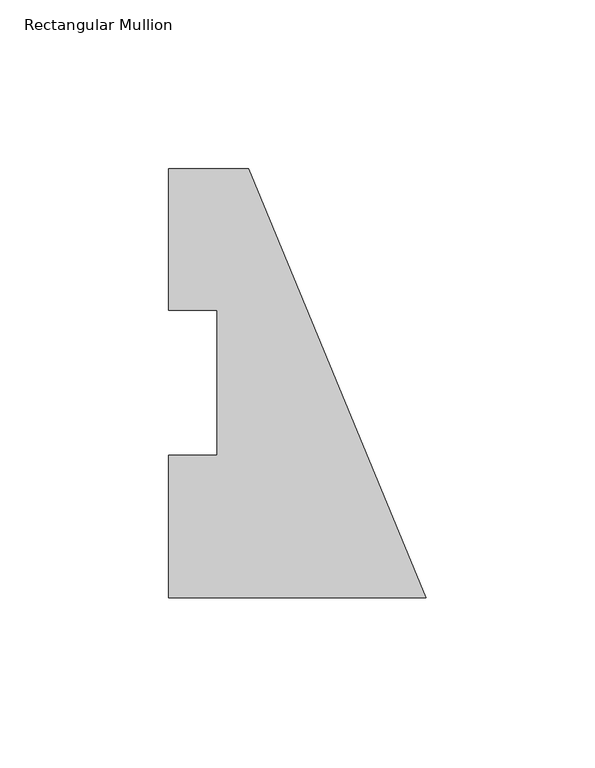
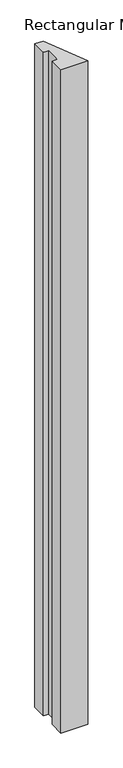
"""IFC4 building model written with IfcOpenShell, lengths in millimetres: member geometry, Rectangular Mullion."""

import ifcopenshell
import ifcopenshell.guid

model = None  # the IFC model being written
_history = None  # IfcOwnerHistory: only IFC2X3 demands one
_inside = {}  # id of a spatial element -> (the spatial element, [elements in it])
_under = {}  # id of a project, library or spatial element -> (it, [spatial elements below it])
_declared = {}  # id of a project -> (the project, [libraries it declares])
_typed = {}  # id of a type object -> (the type object, [elements of that type])
_made_of = {}  # id of a material, layer set ... -> (it, [elements and type objects made of it])


def new_model(schema):
    """Start an empty IFC model of exactly this schema.

    Asked for "IFC4X3", IfcOpenShell would pick the latest addendum, in which some entities
    have other attributes; the version numbers below select the first issue.
    IFC2X3 requires an IfcOwnerHistory on every rooted entity: one is made here for all.
    """
    global model, _history
    if schema == "IFC4X3":
        model = ifcopenshell.file(schema_version=(4, 3, 0, 0))
    else:
        model = ifcopenshell.file(schema=schema)
    _inside.clear()
    _under.clear()
    _declared.clear()
    _typed.clear()
    _made_of.clear()
    _history = None
    if model.schema == "IFC2X3":
        org = make("IfcOrganization", Name="unknown")
        user = make(
            "IfcPersonAndOrganization",
            ThePerson=make("IfcPerson", FamilyName="unknown"),
            TheOrganization=org,
        )
        app = make(
            "IfcApplication",
            ApplicationDeveloper=org,
            Version="unknown",
            ApplicationFullName="unknown",
            ApplicationIdentifier="unknown",
        )
        _history = make(
            "IfcOwnerHistory",
            OwningUser=user,
            OwningApplication=app,
            ChangeAction="ADDED",
            CreationDate=0,
        )
    return model


def make(cls, **values):
    """One entity of the class cls with the attributes given. An attribute that is None is left unset."""
    return model.create_entity(
        cls, **{name: value for name, value in values.items() if value is not None}
    )


def rooted(cls, **values):
    """An entity with a GlobalId (a new one), such as an element, a storey or a relation."""
    return make(cls, GlobalId=ifcopenshell.guid.new(), OwnerHistory=_history, **values)


def si_unit(unit_type, name, prefix=None):
    """IfcSIUnit, for example si_unit("LENGTHUNIT", "METRE", prefix="MILLI")."""
    return make("IfcSIUnit", UnitType=unit_type, Prefix=prefix, Name=name)


def assignment(units):
    """IfcUnitAssignment: the units of a project."""
    return None if units is None else make("IfcUnitAssignment", Units=units)


def point(xyz):
    """IfcCartesianPoint."""
    return None if xyz is None else make("IfcCartesianPoint", Coordinates=xyz)


def direction(xyz):
    """IfcDirection."""
    return None if xyz is None else make("IfcDirection", DirectionRatios=xyz)


def frame(location, z_axis=None, x_axis=None):
    """IfcAxis2Placement3D, a coordinate frame: its origin and axes. An axis left out is left unset."""
    return make(
        "IfcAxis2Placement3D",
        Location=point(location),
        Axis=direction(z_axis),
        RefDirection=direction(x_axis),
    )


def origin():
    """The frame at (0, 0, 0) with its axes left unset."""
    return frame((0.0, 0.0, 0.0))


def place(relative_to, where):
    """IfcLocalPlacement: puts the frame where relative to a parent placement (None: the world)."""
    return make(
        "IfcLocalPlacement", PlacementRelTo=relative_to, RelativePlacement=where
    )


def context(
    kind, dimensions, precision=None, world=None, true_north=None, identifier=None
):
    """IfcGeometricRepresentationContext, for example the 3D "Model" context."""
    return make(
        "IfcGeometricRepresentationContext",
        ContextIdentifier=identifier,
        ContextType=kind,
        CoordinateSpaceDimension=dimensions,
        Precision=precision,
        WorldCoordinateSystem=world,
        TrueNorth=true_north,
    )


def project(units=None, contexts=None):
    """IfcProject with its units and contexts."""
    return rooted(
        "IfcProject",
        Name="project",
        RepresentationContexts=contexts,
        UnitsInContext=assignment(units),
    )


def spatial(cls, under=None, at=None, **own):
    """A site, building, storey or space (cls), placed at a placement, below another one or the project."""
    s = rooted(cls, ObjectPlacement=at, **own)
    if under is not None:
        _under.setdefault(under.id(), (under, []))[1].append(s)
    return s


def polyline(points):
    """IfcPolyline through the points."""
    return make("IfcPolyline", Points=[point(p) for p in points])


def outline(outer, holes=None, kind="AREA"):
    """IfcArbitraryClosedProfileDef: a profile drawn as a closed curve; with holes, ...WithVoids."""
    if holes is None:
        return make("IfcArbitraryClosedProfileDef", ProfileType=kind, OuterCurve=outer)
    return make(
        "IfcArbitraryProfileDefWithVoids",
        ProfileType=kind,
        OuterCurve=outer,
        InnerCurves=holes,
    )


def extrude(swept, where, along, depth):
    """IfcExtrudedAreaSolid: the profile swept, set in the frame where, extruded along a direction by depth."""
    return make(
        "IfcExtrudedAreaSolid",
        SweptArea=swept,
        Position=where,
        ExtrudedDirection=direction(along),
        Depth=depth,
    )


def shape(context_of_items, identifier, shape_type, items):
    """IfcShapeRepresentation: the items that make up one representation, for example the "Body"."""
    return make(
        "IfcShapeRepresentation",
        ContextOfItems=context_of_items,
        RepresentationIdentifier=identifier,
        RepresentationType=shape_type,
        Items=items,
    )


def source(mapping_origin, context_of_items, identifier, shape_type, items):
    """IfcRepresentationMap: a shape defined once, which mapped items show again and again."""
    return make(
        "IfcRepresentationMap",
        MappingOrigin=mapping_origin,
        MappedRepresentation=shape(context_of_items, identifier, shape_type, items),
    )


def transform(
    local_origin,
    x_axis=None,
    y_axis=None,
    z_axis=None,
    scale=None,
    scale2=None,
    scale3=None,
    uniform=True,
):
    """IfcCartesianTransformationOperator3D, or its non-uniform kind. x_axis, y_axis, z_axis: its Axis1, 2, 3."""
    if uniform:
        return make(
            "IfcCartesianTransformationOperator3D",
            Axis1=direction(x_axis),
            Axis2=direction(y_axis),
            LocalOrigin=point(local_origin),
            Scale=scale,
            Axis3=direction(z_axis),
        )
    return make(
        "IfcCartesianTransformationOperator3DnonUniform",
        Axis1=direction(x_axis),
        Axis2=direction(y_axis),
        LocalOrigin=point(local_origin),
        Scale=scale,
        Axis3=direction(z_axis),
        Scale2=scale2,
        Scale3=scale3,
    )


def mapped(mapping_source, mapping_target):
    """IfcMappedItem: shows the shape of a source again, moved by a transform."""
    return make(
        "IfcMappedItem", MappingSource=mapping_source, MappingTarget=mapping_target
    )


def made_of(thing, what):
    """Note that an element or type object is made of a material, layer set ...; save() writes the relation."""
    if what is not None:
        _made_of.setdefault(what.id(), (what, []))[1].append(thing)
    return thing


def element(
    cls,
    number,
    at=None,
    inside=None,
    cuts=None,
    type_object=None,
    material=None,
    context=None,
    identifier="Body",
    shape_type=None,
    held_by="IfcProductDefinitionShape",
    body=None,
    shapes=None,
    **own,
):
    """One element of the class cls, such as IfcWall. Its Tag is "e" and its number.

    at: its placement. inside: the storey or other place that contains it. cuts: it is an
    opening in that element (IfcRelVoidsElement). A single representation is given by context,
    identifier, shape_type and body (its items); several are given by shapes. held_by: the class
    of the entity that holds the representations. save() writes the other relations.
    """
    e = rooted(cls, Tag="e%d" % number, ObjectPlacement=at, **own)
    if body is not None:
        shapes = [shape(context, identifier, shape_type, body)]
    if shapes is not None:
        e.Representation = make(held_by, Representations=shapes)
    if inside is not None:
        _inside.setdefault(inside.id(), (inside, []))[1].append(e)
    if cuts is not None:
        rooted(
            "IfcRelVoidsElement", RelatingBuildingElement=cuts, RelatedOpeningElement=e
        )
    if type_object is not None:
        _typed.setdefault(type_object.id(), (type_object, []))[1].append(e)
    return made_of(e, material)


def aggregate(whole, parts):
    """IfcRelAggregates: a whole, such as a stair, and the parts it consists of."""
    return rooted("IfcRelAggregates", RelatingObject=whole, RelatedObjects=parts)


def save(model, path):
    """Write the relations noted so far, then the file.

    IfcRelAggregates (storeys below a building ...), IfcRelContainedInSpatialStructure (elements
    in a storey), IfcRelDefinesByType, IfcRelAssociatesMaterial and IfcRelDeclares: one each for
    every whole, place, type object, material and project.
    """
    for whole, parts in _under.values():
        aggregate(whole, parts)
    for where, things in _inside.values():
        rooted(
            "IfcRelContainedInSpatialStructure",
            RelatedElements=things,
            RelatingStructure=where,
        )
    for kind, things in _typed.values():
        rooted("IfcRelDefinesByType", RelatedObjects=things, RelatingType=kind)
    for what, things in _made_of.values():
        rooted("IfcRelAssociatesMaterial", RelatedObjects=things, RelatingMaterial=what)
    for by, libraries in _declared.values():
        rooted("IfcRelDeclares", RelatingContext=by, RelatedDefinitions=libraries)
    model.write(path)


def rectangular_mullion_f469e076(model_context):
    return source(origin(), model_context, "Body", "SweptSolid", [
        extrude(outline(polyline([(-76.2, 126.9705908), (-52.6051224, 126.9705908), (0.0, -0.0294092), (-76.2, -0.0294092), (-76.2, 42.2798875), (-61.91504, 42.2798875), (-61.91504, 85.1296875), (-76.2, 85.1296875), (-76.2, 126.9705908)])), frame((0.0, 0.0, -1980.9591858), z_axis=(0.0, 0.0, 1.0), x_axis=(1.0, 0.0, 0.0)), (0.0, 0.0, 1.0), 1980.9591858),
    ])


if __name__ == "__main__":
    model = new_model("IFC4")
    model_context = context("Model", 3, world=origin())
    ifc_project = project(units=[si_unit("LENGTHUNIT", "METRE", prefix="MILLI")], contexts=[model_context])
    site = spatial("IfcSite", under=ifc_project)
    building = spatial("IfcBuilding", under=site)
    placement = place(None, origin())
    rectangular_mullion_shape = rectangular_mullion_f469e076(model_context)
    element("IfcMember", 1, ObjectType="Rectangular Mullion", at=placement, inside=building, context=model_context, shape_type="MappedRepresentation", body=[
        mapped(rectangular_mullion_shape, transform((0.0, 0.0, 0.0), x_axis=(1.0, 0.0, 0.0), y_axis=(0.0, 1.0, 0.0), z_axis=(0.0, 0.0, 1.0))),
    ])
    save(model, "model.ifc")
